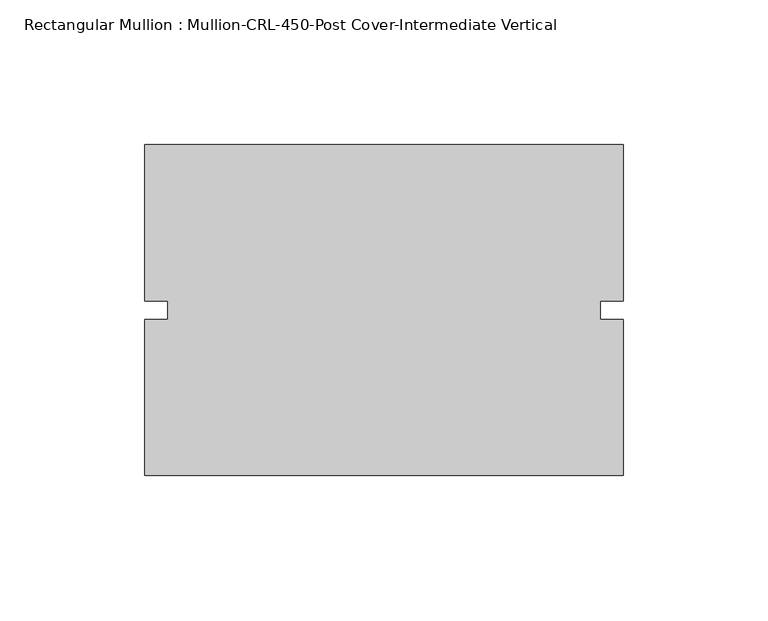
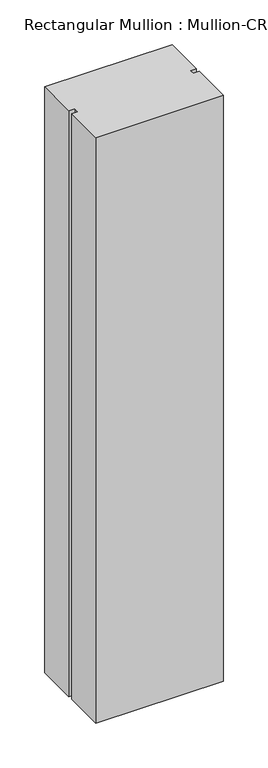
"""IFC4 building model written with IfcOpenShell, lengths in millimetres: member geometry, Rectangular Mullion : Mullion-CRL-450-Post Cover-Intermediate Vertical."""

from ifc_helpers import new_model, si_unit, frame, origin, place, context, project, spatial, polyline, outline, extrude, source, transform, mapped, element, save


def rectangular_mullion_mullion_crl_450_post_cover_intermediate_764350dd(model_context):
    return source(origin(), model_context, "Body", "SweptSolid", [
        extrude(outline(polyline([(82.55, -57.15), (-82.55, -57.15), (-82.55, -3.175), (-74.6125, -3.175), (-74.6125, 3.175), (-82.55, 3.175), (-82.55, 57.15), (82.55, 57.15), (82.55, 3.175), (74.6125, 3.175), (74.6125, -3.175), (82.55, -3.175), (82.55, -57.15)])), frame((0.0, 0.0, -800.89375), z_axis=(0.0, 0.0, 1.0), x_axis=(1.0, 0.0, 0.0)), (0.0, 0.0, 1.0), 800.89375),
    ])


if __name__ == "__main__":
    model = new_model("IFC4")
    model_context = context("Model", 3, world=origin())
    ifc_project = project(units=[si_unit("LENGTHUNIT", "METRE", prefix="MILLI")], contexts=[model_context])
    site = spatial("IfcSite", under=ifc_project)
    building = spatial("IfcBuilding", under=site)
    placement = place(None, origin())
    rectangular_mullion_mullion_crl_450_post_cover_intermediate_shape = rectangular_mullion_mullion_crl_450_post_cover_intermediate_764350dd(model_context)
    element("IfcMember", 1, ObjectType="Rectangular Mullion : Mullion-CRL-450-Post Cover-Intermediate Vertical", at=placement, inside=building, context=model_context, shape_type="MappedRepresentation", body=[
        mapped(rectangular_mullion_mullion_crl_450_post_cover_intermediate_shape, transform((0.0, 0.0, 0.0), x_axis=(1.0, 0.0, 0.0), y_axis=(0.0, 1.0, 0.0), z_axis=(0.0, 0.0, 1.0))),
    ])
    save(model, "model.ifc")
